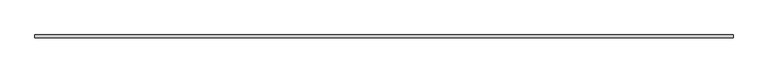
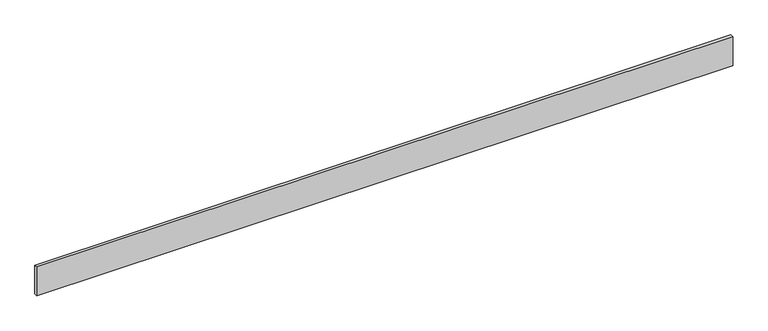
"""IFC4 building model written with IfcOpenShell, lengths in millimetres: furniture geometry."""

from ifc_helpers import new_model, si_unit, origin, origin_with_axes, place, context, project, spatial, polyline, outline, extrude, source, transform, mapped, element, save


def furniture_6a6c0340(model_context):
    return source(origin(), model_context, "Body", "SweptSolid", [
        extrude(outline(polyline([(0.0, 0.0), (0.0, 10.0), (2273.930431, 10.0), (2273.930431, 0.0), (0.0, 0.0)])), origin_with_axes(), (0.0, 0.0, 1.0), 100.0),
    ])


if __name__ == "__main__":
    model = new_model("IFC4")
    model_context = context("Model", 3, world=origin())
    ifc_project = project(units=[si_unit("LENGTHUNIT", "METRE", prefix="MILLI")], contexts=[model_context])
    site = spatial("IfcSite", under=ifc_project)
    building = spatial("IfcBuilding", under=site)
    placement = place(None, origin())
    furniture_shape = furniture_6a6c0340(model_context)
    element("IfcFurniture", 1, at=placement, inside=building, context=model_context, shape_type="MappedRepresentation", body=[
        mapped(furniture_shape, transform((0.0, 0.0, 0.0), x_axis=(1.0, 0.0, 0.0), y_axis=(0.0, 1.0, 0.0), z_axis=(0.0, 0.0, 1.0))),
    ])
    save(model, "model.ifc")
